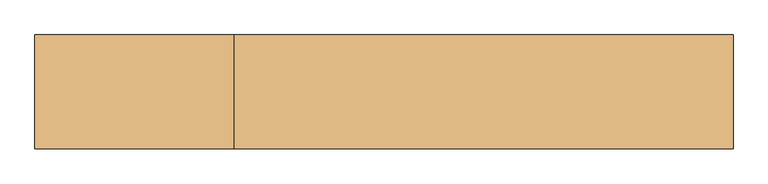
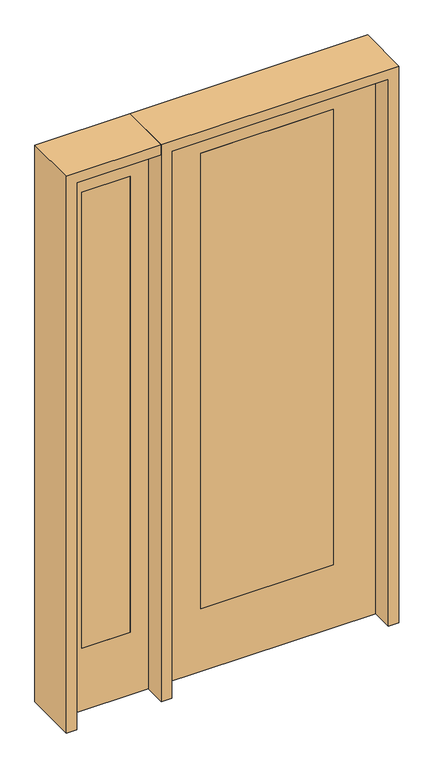
"""IFC4 building model written with IfcOpenShell, lengths in millimetres: door geometry."""

from ifc_helpers import new_model, si_unit, frame, origin, place, context, project, spatial, polyline, outline, extrude, source, transform, mapped, element, save


def door_f84903bc(model_context):
    return source(origin(), model_context, "Body", "SweptSolid", [
        extrude(outline(polyline([(-577.85, -20.6375), (-781.05, -20.6375), (-781.05, 20.6375), (-577.85, 20.6375), (-577.85, -20.6375)])), frame((0.0, 0.0, 279.4), z_axis=(0.0, 0.0, 1.0), x_axis=(1.0, 0.0, 0.0)), (0.0, 0.0, 1.0), 2032.0),
        extrude(outline(polyline([(0.0, -857.25), (0.0, -501.65), (2438.4, -501.65), (2438.4, -857.25), (0.0, -857.25)]), holes=[polyline([(2311.4, -577.85), (279.4, -577.85), (279.4, -781.05), (2311.4, -781.05), (2311.4, -577.85)])]), frame((0.0, -20.6375, 0.0), z_axis=(0.0, 1.0, 0.0), x_axis=(0.0, 0.0, 1.0)), (0.0, 0.0, 1.0), 41.275),
        extrude(outline(polyline([(2438.4, 457.2), (2438.4, -457.2), (0.0, -457.2), (0.0, 457.2), (2438.4, 457.2)]), holes=[polyline([(279.4, 279.4), (279.4, -279.4), (2311.4, -279.4), (2311.4, 279.4), (279.4, 279.4)])]), frame((0.0, -20.6375, 0.0), z_axis=(0.0, 1.0, 0.0), x_axis=(0.0, 0.0, 1.0)), (0.0, 0.0, 1.0), 41.275),
        extrude(outline(polyline([(279.4, -20.6375), (-279.4, -20.6375), (-279.4, 20.6375), (279.4, 20.6375), (279.4, -20.6375)])), frame((0.0, 0.0, 279.4), z_axis=(0.0, 0.0, 1.0), x_axis=(1.0, 0.0, 0.0)), (0.0, 0.0, 1.0), 2032.0),
        extrude(outline(polyline([(2438.4, -501.65), (2482.85, -501.65), (2482.85, -901.7), (0.0, -901.7), (0.0, -857.25), (2438.4, -857.25), (2438.4, -501.65)])), frame((0.0, -114.3, 0.0), z_axis=(0.0, 1.0, 0.0), x_axis=(0.0, 0.0, 1.0)), (0.0, 0.0, 1.0), 228.6),
        extrude(outline(polyline([(2482.85, -501.65), (0.0, -501.65), (0.0, -457.2), (2438.4, -457.2), (2438.4, 457.2), (0.0, 457.2), (0.0, 501.65), (2482.85, 501.65), (2482.85, -501.65)])), frame((0.0, -114.3, 0.0), z_axis=(0.0, 1.0, 0.0), x_axis=(0.0, 0.0, 1.0)), (0.0, 0.0, 1.0), 228.6),
    ])


if __name__ == "__main__":
    model = new_model("IFC4")
    model_context = context("Model", 3, world=origin())
    ifc_project = project(units=[si_unit("LENGTHUNIT", "METRE", prefix="MILLI")], contexts=[model_context])
    site = spatial("IfcSite", under=ifc_project)
    building = spatial("IfcBuilding", under=site)
    placement = place(None, origin())
    door_shape = door_f84903bc(model_context)
    element("IfcDoor", 1, at=placement, inside=building, context=model_context, shape_type="MappedRepresentation", body=[
        mapped(door_shape, transform((0.0, 0.0, 0.0), x_axis=(1.0, 0.0, 0.0), y_axis=(0.0, 1.0, 0.0), z_axis=(0.0, 0.0, 1.0))),
    ])
    save(model, "model.ifc")
